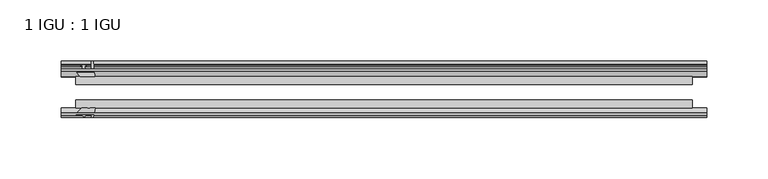
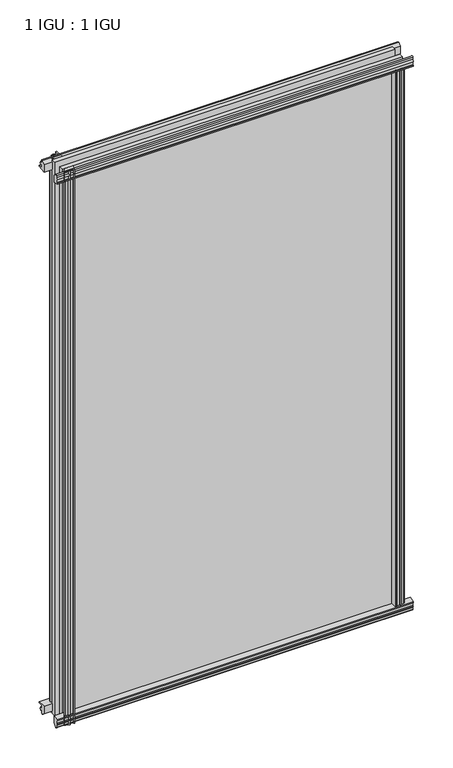
"""IFC4 building model written with IfcOpenShell, lengths in millimetres: plate geometry, 1 IGU : 1 IGU."""

import ifcopenshell
import ifcopenshell.guid

model = None  # the IFC model being written
_history = None  # IfcOwnerHistory: only IFC2X3 demands one
_inside = {}  # id of a spatial element -> (the spatial element, [elements in it])
_under = {}  # id of a project, library or spatial element -> (it, [spatial elements below it])
_declared = {}  # id of a project -> (the project, [libraries it declares])
_typed = {}  # id of a type object -> (the type object, [elements of that type])
_made_of = {}  # id of a material, layer set ... -> (it, [elements and type objects made of it])


def new_model(schema):
    """Start an empty IFC model of exactly this schema.

    Asked for "IFC4X3", IfcOpenShell would pick the latest addendum, in which some entities
    have other attributes; the version numbers below select the first issue.
    IFC2X3 requires an IfcOwnerHistory on every rooted entity: one is made here for all.
    """
    global model, _history
    if schema == "IFC4X3":
        model = ifcopenshell.file(schema_version=(4, 3, 0, 0))
    else:
        model = ifcopenshell.file(schema=schema)
    _inside.clear()
    _under.clear()
    _declared.clear()
    _typed.clear()
    _made_of.clear()
    _history = None
    if model.schema == "IFC2X3":
        org = make("IfcOrganization", Name="unknown")
        user = make(
            "IfcPersonAndOrganization",
            ThePerson=make("IfcPerson", FamilyName="unknown"),
            TheOrganization=org,
        )
        app = make(
            "IfcApplication",
            ApplicationDeveloper=org,
            Version="unknown",
            ApplicationFullName="unknown",
            ApplicationIdentifier="unknown",
        )
        _history = make(
            "IfcOwnerHistory",
            OwningUser=user,
            OwningApplication=app,
            ChangeAction="ADDED",
            CreationDate=0,
        )
    return model


def make(cls, **values):
    """One entity of the class cls with the attributes given. An attribute that is None is left unset."""
    return model.create_entity(
        cls, **{name: value for name, value in values.items() if value is not None}
    )


def rooted(cls, **values):
    """An entity with a GlobalId (a new one), such as an element, a storey or a relation."""
    return make(cls, GlobalId=ifcopenshell.guid.new(), OwnerHistory=_history, **values)


def si_unit(unit_type, name, prefix=None):
    """IfcSIUnit, for example si_unit("LENGTHUNIT", "METRE", prefix="MILLI")."""
    return make("IfcSIUnit", UnitType=unit_type, Prefix=prefix, Name=name)


def assignment(units):
    """IfcUnitAssignment: the units of a project."""
    return None if units is None else make("IfcUnitAssignment", Units=units)


def point(xyz):
    """IfcCartesianPoint."""
    return None if xyz is None else make("IfcCartesianPoint", Coordinates=xyz)


def direction(xyz):
    """IfcDirection."""
    return None if xyz is None else make("IfcDirection", DirectionRatios=xyz)


def frame(location, z_axis=None, x_axis=None):
    """IfcAxis2Placement3D, a coordinate frame: its origin and axes. An axis left out is left unset."""
    return make(
        "IfcAxis2Placement3D",
        Location=point(location),
        Axis=direction(z_axis),
        RefDirection=direction(x_axis),
    )


def frame_2d(location, x_axis=None):
    """IfcAxis2Placement2D, a coordinate frame in the plane: its origin and x axis."""
    return make(
        "IfcAxis2Placement2D", Location=point(location), RefDirection=direction(x_axis)
    )


def origin():
    """The frame at (0, 0, 0) with its axes left unset."""
    return frame((0.0, 0.0, 0.0))


def origin_with_axes():
    """The frame at (0, 0, 0) with the z axis (0, 0, 1) and the x axis (1, 0, 0) written out."""
    return frame((0.0, 0.0, 0.0), z_axis=(0.0, 0.0, 1.0), x_axis=(1.0, 0.0, 0.0))


def place(relative_to, where):
    """IfcLocalPlacement: puts the frame where relative to a parent placement (None: the world)."""
    return make(
        "IfcLocalPlacement", PlacementRelTo=relative_to, RelativePlacement=where
    )


def context(
    kind, dimensions, precision=None, world=None, true_north=None, identifier=None
):
    """IfcGeometricRepresentationContext, for example the 3D "Model" context."""
    return make(
        "IfcGeometricRepresentationContext",
        ContextIdentifier=identifier,
        ContextType=kind,
        CoordinateSpaceDimension=dimensions,
        Precision=precision,
        WorldCoordinateSystem=world,
        TrueNorth=true_north,
    )


def project(units=None, contexts=None):
    """IfcProject with its units and contexts."""
    return rooted(
        "IfcProject",
        Name="project",
        RepresentationContexts=contexts,
        UnitsInContext=assignment(units),
    )


def spatial(cls, under=None, at=None, **own):
    """A site, building, storey or space (cls), placed at a placement, below another one or the project."""
    s = rooted(cls, ObjectPlacement=at, **own)
    if under is not None:
        _under.setdefault(under.id(), (under, []))[1].append(s)
    return s


def polyline(points):
    """IfcPolyline through the points."""
    return make("IfcPolyline", Points=[point(p) for p in points])


def circle_curve(where, radius):
    """IfcCircle in the frame where."""
    return make("IfcCircle", Position=where, Radius=radius)


def trimmed(basis, trim1, trim2, sense, master):
    """IfcTrimmedCurve: the piece of a basis curve between two trims."""
    return make(
        "IfcTrimmedCurve",
        BasisCurve=basis,
        Trim1=trim1,
        Trim2=trim2,
        SenseAgreement=sense,
        MasterRepresentation=master,
    )


def segment(curve, same_sense, transition):
    """IfcCompositeCurveSegment."""
    return make(
        "IfcCompositeCurveSegment",
        Transition=transition,
        SameSense=same_sense,
        ParentCurve=curve,
    )


def composite_curve(segments, self_intersect=None):
    """IfcCompositeCurve: segments joined end to end."""
    return make("IfcCompositeCurve", Segments=segments, SelfIntersect=self_intersect)


def outline(outer, holes=None, kind="AREA"):
    """IfcArbitraryClosedProfileDef: a profile drawn as a closed curve; with holes, ...WithVoids."""
    if holes is None:
        return make("IfcArbitraryClosedProfileDef", ProfileType=kind, OuterCurve=outer)
    return make(
        "IfcArbitraryProfileDefWithVoids",
        ProfileType=kind,
        OuterCurve=outer,
        InnerCurves=holes,
    )


def extrude(swept, where, along, depth):
    """IfcExtrudedAreaSolid: the profile swept, set in the frame where, extruded along a direction by depth."""
    return make(
        "IfcExtrudedAreaSolid",
        SweptArea=swept,
        Position=where,
        ExtrudedDirection=direction(along),
        Depth=depth,
    )


def shape(context_of_items, identifier, shape_type, items):
    """IfcShapeRepresentation: the items that make up one representation, for example the "Body"."""
    return make(
        "IfcShapeRepresentation",
        ContextOfItems=context_of_items,
        RepresentationIdentifier=identifier,
        RepresentationType=shape_type,
        Items=items,
    )


def source(mapping_origin, context_of_items, identifier, shape_type, items):
    """IfcRepresentationMap: a shape defined once, which mapped items show again and again."""
    return make(
        "IfcRepresentationMap",
        MappingOrigin=mapping_origin,
        MappedRepresentation=shape(context_of_items, identifier, shape_type, items),
    )


def transform(
    local_origin,
    x_axis=None,
    y_axis=None,
    z_axis=None,
    scale=None,
    scale2=None,
    scale3=None,
    uniform=True,
):
    """IfcCartesianTransformationOperator3D, or its non-uniform kind. x_axis, y_axis, z_axis: its Axis1, 2, 3."""
    if uniform:
        return make(
            "IfcCartesianTransformationOperator3D",
            Axis1=direction(x_axis),
            Axis2=direction(y_axis),
            LocalOrigin=point(local_origin),
            Scale=scale,
            Axis3=direction(z_axis),
        )
    return make(
        "IfcCartesianTransformationOperator3DnonUniform",
        Axis1=direction(x_axis),
        Axis2=direction(y_axis),
        LocalOrigin=point(local_origin),
        Scale=scale,
        Axis3=direction(z_axis),
        Scale2=scale2,
        Scale3=scale3,
    )


def mapped(mapping_source, mapping_target):
    """IfcMappedItem: shows the shape of a source again, moved by a transform."""
    return make(
        "IfcMappedItem", MappingSource=mapping_source, MappingTarget=mapping_target
    )


def made_of(thing, what):
    """Note that an element or type object is made of a material, layer set ...; save() writes the relation."""
    if what is not None:
        _made_of.setdefault(what.id(), (what, []))[1].append(thing)
    return thing


def element(
    cls,
    number,
    at=None,
    inside=None,
    cuts=None,
    type_object=None,
    material=None,
    context=None,
    identifier="Body",
    shape_type=None,
    held_by="IfcProductDefinitionShape",
    body=None,
    shapes=None,
    **own,
):
    """One element of the class cls, such as IfcWall. Its Tag is "e" and its number.

    at: its placement. inside: the storey or other place that contains it. cuts: it is an
    opening in that element (IfcRelVoidsElement). A single representation is given by context,
    identifier, shape_type and body (its items); several are given by shapes. held_by: the class
    of the entity that holds the representations. save() writes the other relations.
    """
    e = rooted(cls, Tag="e%d" % number, ObjectPlacement=at, **own)
    if body is not None:
        shapes = [shape(context, identifier, shape_type, body)]
    if shapes is not None:
        e.Representation = make(held_by, Representations=shapes)
    if inside is not None:
        _inside.setdefault(inside.id(), (inside, []))[1].append(e)
    if cuts is not None:
        rooted(
            "IfcRelVoidsElement", RelatingBuildingElement=cuts, RelatedOpeningElement=e
        )
    if type_object is not None:
        _typed.setdefault(type_object.id(), (type_object, []))[1].append(e)
    return made_of(e, material)


def aggregate(whole, parts):
    """IfcRelAggregates: a whole, such as a stair, and the parts it consists of."""
    return rooted("IfcRelAggregates", RelatingObject=whole, RelatedObjects=parts)


def save(model, path):
    """Write the relations noted so far, then the file.

    IfcRelAggregates (storeys below a building ...), IfcRelContainedInSpatialStructure (elements
    in a storey), IfcRelDefinesByType, IfcRelAssociatesMaterial and IfcRelDeclares: one each for
    every whole, place, type object, material and project.
    """
    for whole, parts in _under.values():
        aggregate(whole, parts)
    for where, things in _inside.values():
        rooted(
            "IfcRelContainedInSpatialStructure",
            RelatedElements=things,
            RelatingStructure=where,
        )
    for kind, things in _typed.values():
        rooted("IfcRelDefinesByType", RelatedObjects=things, RelatingType=kind)
    for what, things in _made_of.values():
        rooted("IfcRelAssociatesMaterial", RelatedObjects=things, RelatingMaterial=what)
    for by, libraries in _declared.values():
        rooted("IfcRelDeclares", RelatingContext=by, RelatedDefinitions=libraries)
    model.write(path)


def plate_1_igu_1_igu_542ced25(model_context):
    return source(origin(), model_context, "Body", "SweptSolid", [
        extrude(outline(polyline([(-24.9039062, 2.5763839), (-12.2039062, 1.5739665), (-12.2039062, 0.0), (-18.5539062, 0.0), (-18.5539062, -4.953), (-16.254502, -5.5691235), (-16.6301757, -4.1670901), (-15.7714677, -3.937), (-15.1249062, -6.35), (-15.7714677, -8.763), (-16.6301757, -8.5329099), (-16.254502, -7.1308765), (-18.5539062, -7.747), (-18.5539062, -12.7), (-20.5859062, -12.7), (-24.9039062, -9.1036931), (-24.9039062, 2.5763839)])), frame((-262.3729155, 0.0, 0.0), z_axis=(1.0, 0.0, 0.0), x_axis=(0.0, 1.0, 0.0)), (0.0, 0.0, 1.0), 526.4325497),
        extrude(outline(composite_curve([segment(polyline([(-58.2287402, 1.5687054), (-50.3039062, 3.0983599), (-50.3039062, -7.92383), (-54.4858806, -12.1058044)]), True, "CONTINUOUS"), segment(trimmed(circle_curve(frame_2d((-55.3839062, -11.2077788)), 1.27), [point((-54.4858806, -12.1058044))], [point((-56.6539062, -11.2077788))], False, "CARTESIAN"), True, "CONTINUOUS"), segment(polyline([(-56.6539062, -11.2077788), (-56.6539062, -8.0327788), (-58.1332022, -5.4488186), (-56.6539062, -5.1879788), (-56.6539062, 0.2222212), (-58.2287402, 0.0), (-58.2287402, 1.5687054)]), True, "CONTINUOUS")], self_intersect=False)), frame((-262.3729155, 0.0, 0.0), z_axis=(1.0, 0.0, 0.0), x_axis=(0.0, 1.0, 0.0)), (0.0, 0.0, 1.0), 526.4325497),
        extrude(outline(polyline([(-18.5539063, 845.956525), (-16.254502, 845.3404015), (-16.6301757, 846.7424349), (-15.7714677, 846.972525), (-15.1249063, 844.559525), (-15.7714677, 842.146525), (-16.6301757, 842.3766151), (-16.254502, 843.7786485), (-18.5539063, 843.162525), (-18.5539063, 838.209525), (-12.2039062, 838.209525), (-12.2039062, 836.6355585), (-24.9039063, 835.6331411), (-24.9039063, 847.3132181), (-20.5859063, 850.909525), (-18.5539063, 850.909525), (-18.5539063, 845.956525)])), frame((-262.3729155, 0.0, 0.0), z_axis=(1.0, 0.0, 0.0), x_axis=(0.0, 1.0, 0.0)), (0.0, 0.0, 1.0), 526.4325497),
        extrude(outline(composite_curve([segment(polyline([(-50.3039063, 846.133355), (-50.3039063, 835.1111651), (-58.2287402, 836.6408196), (-58.2287402, 838.209525), (-56.6539063, 837.9873038), (-56.6539063, 843.3975038), (-58.1332023, 843.6583436), (-56.6539063, 846.2423038), (-56.6539063, 849.4173038)]), True, "CONTINUOUS"), segment(trimmed(circle_curve(frame_2d((-55.3839063, 849.4173038)), 1.27), [point((-56.6539063, 849.4173038))], [point((-54.4858806, 850.3153294))], False, "CARTESIAN"), True, "CONTINUOUS"), segment(polyline([(-54.4858806, 850.3153294), (-50.3039063, 846.133355)]), True, "CONTINUOUS")], self_intersect=False)), frame((-262.3729155, 0.0, 0.0), z_axis=(1.0, 0.0, 0.0), x_axis=(0.0, 1.0, 0.0)), (0.0, 0.0, 1.0), 526.4325497),
        extrude(outline(composite_curve([segment(polyline([(237.7667902, -57.3876965), (236.3994743, -50.3039063), (247.4216642, -50.3039063), (251.6036386, -54.4858806)]), True, "CONTINUOUS"), segment(trimmed(circle_curve(frame_2d((250.705613, -55.3839062)), 1.27), [point((251.6036386, -54.4858806))], [point((250.705613, -56.6539062))], False, "CARTESIAN"), True, "CONTINUOUS"), segment(polyline([(250.705613, -56.6539062), (247.530613, -56.6539063), (244.9466528, -58.1332023), (244.685813, -56.6539063), (239.275613, -56.6539063), (239.4978342, -58.2287402), (238.5335134, -58.2014026)]), True, "CONTINUOUS"), segment(trimmed(circle_curve(frame_2d((238.767613, -57.2127402)), 1.016), [point((238.5335134, -58.2014026))], [point((237.7667902, -57.3876965))], False, "CARTESIAN"), True, "CONTINUOUS")], self_intersect=False)), origin_with_axes(), (0.0, 0.0, 1.0), 838.6064),
        extrude(outline(polyline([(244.4508342, -18.5539062), (245.0669577, -16.254502), (243.6649243, -16.6301757), (243.4348342, -15.7714677), (245.8478342, -15.1249062), (248.2608342, -15.7714677), (248.0307441, -16.6301757), (246.6287107, -16.254502), (247.2448342, -18.5539062), (252.1978342, -18.5539062), (252.1978342, -20.5859062), (248.6015273, -24.9039063), (236.9214503, -24.9039063), (237.9238677, -12.2039062), (239.4978342, -12.2039062), (239.4978342, -18.5539062), (244.4508342, -18.5539062)])), origin_with_axes(), (0.0, 0.0, 1.0), 838.6064),
        extrude(outline(composite_curve([segment(polyline([(-245.8438943, -56.6539062), (-249.0188943, -56.6539062)]), True, "CONTINUOUS"), segment(trimmed(circle_curve(frame_2d((-249.0188943, -55.3839062)), 1.27), [point((-249.0188943, -56.6539062))], [point((-249.9169199, -54.4858806))], False, "CARTESIAN"), True, "CONTINUOUS"), segment(polyline([(-249.9169199, -54.4858806), (-245.7349455, -50.3039062), (-242.0654, -50.3039062)]), True, "CONTINUOUS"), segment(trimmed(circle_curve(frame_2d((-240.0018943, -46.3669062)), 4.445), [point((-242.0654, -50.3039062))], [point((-237.9383885, -50.3039062))], True, "CARTESIAN"), True, "CONTINUOUS"), segment(polyline([(-237.9383885, -50.3039062), (-234.7127555, -50.3039062), (-236.24241, -58.2287402), (-237.8111155, -58.2287402), (-237.5888943, -56.6539062), (-242.9990943, -56.6539062), (-243.2599341, -58.1332022), (-245.8438943, -56.6539062)]), True, "CONTINUOUS")], self_intersect=False)), frame((0.0, 0.0, -12.7), z_axis=(0.0, 0.0, 1.0), x_axis=(1.0, 0.0, 0.0)), (0.0, 0.0, 1.0), 863.609525),
        extrude(outline(polyline([(-235.2347315, -24.9039062), (-246.9148086, -24.9039062), (-250.5111155, -20.5859062), (-250.5111155, -18.5539062), (-245.5581155, -18.5539062), (-244.9419919, -16.254502), (-246.3440253, -16.6301757), (-246.5741155, -15.7714677), (-244.1611155, -15.1249062), (-241.7481155, -15.7714677), (-241.9782056, -16.6301757), (-243.380239, -16.254502), (-242.7641155, -18.5539062), (-237.8111155, -18.5539062), (-237.8111155, -12.2039062), (-236.2371489, -12.2039062), (-235.2347315, -24.9039062)])), frame((0.0, 0.0, -12.7), z_axis=(0.0, 0.0, 1.0), x_axis=(1.0, 0.0, 0.0)), (0.0, 0.0, 1.0), 863.609525),
        extrude(outline(polyline([(252.1978342, -24.9039062), (252.1978342, -31.2031063), (-250.5111155, -31.2031063), (-250.5111155, -24.9039062), (252.1978342, -24.9039062)])), frame((0.0, 0.0, -12.7), z_axis=(0.0, 0.0, 1.0), x_axis=(1.0, 0.0, 0.0)), (0.0, 0.0, 1.0), 863.609525),
        extrude(outline(polyline([(-250.5111155, -44.0047063), (252.1978342, -44.0047063), (252.1978342, -50.3039062), (-250.5111155, -50.3039062), (-250.5111155, -44.0047063)])), frame((0.0, 0.0, -12.7), z_axis=(0.0, 0.0, 1.0), x_axis=(1.0, 0.0, 0.0)), (0.0, 0.0, 1.0), 863.609525),
    ])


if __name__ == "__main__":
    model = new_model("IFC4")
    model_context = context("Model", 3, world=origin())
    ifc_project = project(units=[si_unit("LENGTHUNIT", "METRE", prefix="MILLI")], contexts=[model_context])
    site = spatial("IfcSite", under=ifc_project)
    building = spatial("IfcBuilding", under=site)
    placement = place(None, origin())
    plate_1_igu_1_igu_shape = plate_1_igu_1_igu_542ced25(model_context)
    element("IfcPlate", 1, ObjectType="1 IGU : 1 IGU", at=placement, inside=building, context=model_context, shape_type="MappedRepresentation", body=[
        mapped(plate_1_igu_1_igu_shape, transform((0.0, 0.0, 0.0), x_axis=(1.0, 0.0, 0.0), y_axis=(0.0, 1.0, 0.0), z_axis=(0.0, 0.0, 1.0))),
    ])
    save(model, "model.ifc")
